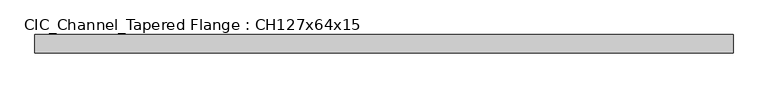
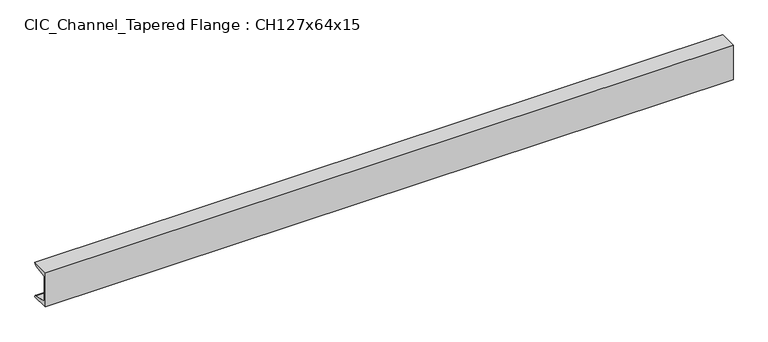
"""IFC4 building model written with IfcOpenShell, lengths in millimetres: beam geometry, CIC_Channel_Tapered Flange : CH127x64x15."""

import ifcopenshell
import ifcopenshell.guid

model = None  # the IFC model being written
_history = None  # IfcOwnerHistory: only IFC2X3 demands one
_inside = {}  # id of a spatial element -> (the spatial element, [elements in it])
_under = {}  # id of a project, library or spatial element -> (it, [spatial elements below it])
_declared = {}  # id of a project -> (the project, [libraries it declares])
_typed = {}  # id of a type object -> (the type object, [elements of that type])
_made_of = {}  # id of a material, layer set ... -> (it, [elements and type objects made of it])


def new_model(schema):
    """Start an empty IFC model of exactly this schema.

    Asked for "IFC4X3", IfcOpenShell would pick the latest addendum, in which some entities
    have other attributes; the version numbers below select the first issue.
    IFC2X3 requires an IfcOwnerHistory on every rooted entity: one is made here for all.
    """
    global model, _history
    if schema == "IFC4X3":
        model = ifcopenshell.file(schema_version=(4, 3, 0, 0))
    else:
        model = ifcopenshell.file(schema=schema)
    _inside.clear()
    _under.clear()
    _declared.clear()
    _typed.clear()
    _made_of.clear()
    _history = None
    if model.schema == "IFC2X3":
        org = make("IfcOrganization", Name="unknown")
        user = make(
            "IfcPersonAndOrganization",
            ThePerson=make("IfcPerson", FamilyName="unknown"),
            TheOrganization=org,
        )
        app = make(
            "IfcApplication",
            ApplicationDeveloper=org,
            Version="unknown",
            ApplicationFullName="unknown",
            ApplicationIdentifier="unknown",
        )
        _history = make(
            "IfcOwnerHistory",
            OwningUser=user,
            OwningApplication=app,
            ChangeAction="ADDED",
            CreationDate=0,
        )
    return model


def make(cls, **values):
    """One entity of the class cls with the attributes given. An attribute that is None is left unset."""
    return model.create_entity(
        cls, **{name: value for name, value in values.items() if value is not None}
    )


def rooted(cls, **values):
    """An entity with a GlobalId (a new one), such as an element, a storey or a relation."""
    return make(cls, GlobalId=ifcopenshell.guid.new(), OwnerHistory=_history, **values)


def si_unit(unit_type, name, prefix=None):
    """IfcSIUnit, for example si_unit("LENGTHUNIT", "METRE", prefix="MILLI")."""
    return make("IfcSIUnit", UnitType=unit_type, Prefix=prefix, Name=name)


def assignment(units):
    """IfcUnitAssignment: the units of a project."""
    return None if units is None else make("IfcUnitAssignment", Units=units)


def point(xyz):
    """IfcCartesianPoint."""
    return None if xyz is None else make("IfcCartesianPoint", Coordinates=xyz)


def direction(xyz):
    """IfcDirection."""
    return None if xyz is None else make("IfcDirection", DirectionRatios=xyz)


def frame(location, z_axis=None, x_axis=None):
    """IfcAxis2Placement3D, a coordinate frame: its origin and axes. An axis left out is left unset."""
    return make(
        "IfcAxis2Placement3D",
        Location=point(location),
        Axis=direction(z_axis),
        RefDirection=direction(x_axis),
    )


def frame_2d(location, x_axis=None):
    """IfcAxis2Placement2D, a coordinate frame in the plane: its origin and x axis."""
    return make(
        "IfcAxis2Placement2D", Location=point(location), RefDirection=direction(x_axis)
    )


def origin():
    """The frame at (0, 0, 0) with its axes left unset."""
    return frame((0.0, 0.0, 0.0))


def place(relative_to, where):
    """IfcLocalPlacement: puts the frame where relative to a parent placement (None: the world)."""
    return make(
        "IfcLocalPlacement", PlacementRelTo=relative_to, RelativePlacement=where
    )


def context(
    kind, dimensions, precision=None, world=None, true_north=None, identifier=None
):
    """IfcGeometricRepresentationContext, for example the 3D "Model" context."""
    return make(
        "IfcGeometricRepresentationContext",
        ContextIdentifier=identifier,
        ContextType=kind,
        CoordinateSpaceDimension=dimensions,
        Precision=precision,
        WorldCoordinateSystem=world,
        TrueNorth=true_north,
    )


def project(units=None, contexts=None):
    """IfcProject with its units and contexts."""
    return rooted(
        "IfcProject",
        Name="project",
        RepresentationContexts=contexts,
        UnitsInContext=assignment(units),
    )


def spatial(cls, under=None, at=None, **own):
    """A site, building, storey or space (cls), placed at a placement, below another one or the project."""
    s = rooted(cls, ObjectPlacement=at, **own)
    if under is not None:
        _under.setdefault(under.id(), (under, []))[1].append(s)
    return s


def polyline(points):
    """IfcPolyline through the points."""
    return make("IfcPolyline", Points=[point(p) for p in points])


def circle_curve(where, radius):
    """IfcCircle in the frame where."""
    return make("IfcCircle", Position=where, Radius=radius)


def trimmed(basis, trim1, trim2, sense, master):
    """IfcTrimmedCurve: the piece of a basis curve between two trims."""
    return make(
        "IfcTrimmedCurve",
        BasisCurve=basis,
        Trim1=trim1,
        Trim2=trim2,
        SenseAgreement=sense,
        MasterRepresentation=master,
    )


def segment(curve, same_sense, transition):
    """IfcCompositeCurveSegment."""
    return make(
        "IfcCompositeCurveSegment",
        Transition=transition,
        SameSense=same_sense,
        ParentCurve=curve,
    )


def composite_curve(segments, self_intersect=None):
    """IfcCompositeCurve: segments joined end to end."""
    return make("IfcCompositeCurve", Segments=segments, SelfIntersect=self_intersect)


def outline(outer, holes=None, kind="AREA"):
    """IfcArbitraryClosedProfileDef: a profile drawn as a closed curve; with holes, ...WithVoids."""
    if holes is None:
        return make("IfcArbitraryClosedProfileDef", ProfileType=kind, OuterCurve=outer)
    return make(
        "IfcArbitraryProfileDefWithVoids",
        ProfileType=kind,
        OuterCurve=outer,
        InnerCurves=holes,
    )


def extrude(swept, where, along, depth):
    """IfcExtrudedAreaSolid: the profile swept, set in the frame where, extruded along a direction by depth."""
    return make(
        "IfcExtrudedAreaSolid",
        SweptArea=swept,
        Position=where,
        ExtrudedDirection=direction(along),
        Depth=depth,
    )


def shape(context_of_items, identifier, shape_type, items):
    """IfcShapeRepresentation: the items that make up one representation, for example the "Body"."""
    return make(
        "IfcShapeRepresentation",
        ContextOfItems=context_of_items,
        RepresentationIdentifier=identifier,
        RepresentationType=shape_type,
        Items=items,
    )


def source(mapping_origin, context_of_items, identifier, shape_type, items):
    """IfcRepresentationMap: a shape defined once, which mapped items show again and again."""
    return make(
        "IfcRepresentationMap",
        MappingOrigin=mapping_origin,
        MappedRepresentation=shape(context_of_items, identifier, shape_type, items),
    )


def transform(
    local_origin,
    x_axis=None,
    y_axis=None,
    z_axis=None,
    scale=None,
    scale2=None,
    scale3=None,
    uniform=True,
):
    """IfcCartesianTransformationOperator3D, or its non-uniform kind. x_axis, y_axis, z_axis: its Axis1, 2, 3."""
    if uniform:
        return make(
            "IfcCartesianTransformationOperator3D",
            Axis1=direction(x_axis),
            Axis2=direction(y_axis),
            LocalOrigin=point(local_origin),
            Scale=scale,
            Axis3=direction(z_axis),
        )
    return make(
        "IfcCartesianTransformationOperator3DnonUniform",
        Axis1=direction(x_axis),
        Axis2=direction(y_axis),
        LocalOrigin=point(local_origin),
        Scale=scale,
        Axis3=direction(z_axis),
        Scale2=scale2,
        Scale3=scale3,
    )


def mapped(mapping_source, mapping_target):
    """IfcMappedItem: shows the shape of a source again, moved by a transform."""
    return make(
        "IfcMappedItem", MappingSource=mapping_source, MappingTarget=mapping_target
    )


def made_of(thing, what):
    """Note that an element or type object is made of a material, layer set ...; save() writes the relation."""
    if what is not None:
        _made_of.setdefault(what.id(), (what, []))[1].append(thing)
    return thing


def element(
    cls,
    number,
    at=None,
    inside=None,
    cuts=None,
    type_object=None,
    material=None,
    context=None,
    identifier="Body",
    shape_type=None,
    held_by="IfcProductDefinitionShape",
    body=None,
    shapes=None,
    **own,
):
    """One element of the class cls, such as IfcWall. Its Tag is "e" and its number.

    at: its placement. inside: the storey or other place that contains it. cuts: it is an
    opening in that element (IfcRelVoidsElement). A single representation is given by context,
    identifier, shape_type and body (its items); several are given by shapes. held_by: the class
    of the entity that holds the representations. save() writes the other relations.
    """
    e = rooted(cls, Tag="e%d" % number, ObjectPlacement=at, **own)
    if body is not None:
        shapes = [shape(context, identifier, shape_type, body)]
    if shapes is not None:
        e.Representation = make(held_by, Representations=shapes)
    if inside is not None:
        _inside.setdefault(inside.id(), (inside, []))[1].append(e)
    if cuts is not None:
        rooted(
            "IfcRelVoidsElement", RelatingBuildingElement=cuts, RelatedOpeningElement=e
        )
    if type_object is not None:
        _typed.setdefault(type_object.id(), (type_object, []))[1].append(e)
    return made_of(e, material)


def aggregate(whole, parts):
    """IfcRelAggregates: a whole, such as a stair, and the parts it consists of."""
    return rooted("IfcRelAggregates", RelatingObject=whole, RelatedObjects=parts)


def save(model, path):
    """Write the relations noted so far, then the file.

    IfcRelAggregates (storeys below a building ...), IfcRelContainedInSpatialStructure (elements
    in a storey), IfcRelDefinesByType, IfcRelAssociatesMaterial and IfcRelDeclares: one each for
    every whole, place, type object, material and project.
    """
    for whole, parts in _under.values():
        aggregate(whole, parts)
    for where, things in _inside.values():
        rooted(
            "IfcRelContainedInSpatialStructure",
            RelatedElements=things,
            RelatingStructure=where,
        )
    for kind, things in _typed.values():
        rooted("IfcRelDefinesByType", RelatedObjects=things, RelatingType=kind)
    for what, things in _made_of.values():
        rooted("IfcRelAssociatesMaterial", RelatedObjects=things, RelatingMaterial=what)
    for by, libraries in _declared.values():
        rooted("IfcRelDeclares", RelatingContext=by, RelatedDefinitions=libraries)
    model.write(path)


def cic_channel_tapered_flange_ch127x64x15_c56eb4cb(model_context):
    return source(origin(), model_context, "Body", "SweptSolid", [
        extrude(outline(composite_curve([segment(polyline([(-19.4, 63.5), (44.1, 63.5)]), True, "CONTINUOUS"), segment(trimmed(circle_curve(frame_2d((34.9, 63.5)), 9.2), [point((44.1, 63.5))], [point((34.9, 54.3))], False, "CARTESIAN"), True, "CONTINUOUS"), segment(polyline([(34.9, 54.3), (-13.0, 46.7133853), (-13.0, -46.7133853), (34.9, -54.3)]), True, "CONTINUOUS"), segment(trimmed(circle_curve(frame_2d((34.9, -63.5)), 9.2), [point((34.9, -54.3))], [point((44.1, -63.5))], False, "CARTESIAN"), True, "CONTINUOUS"), segment(polyline([(44.1, -63.5), (-19.4, -63.5), (-19.4, 63.5)]), True, "CONTINUOUS")], self_intersect=False)), frame((-1199.95, 0.0, 0.0), z_axis=(1.0, 0.0, 0.0), x_axis=(0.0, 1.0, 0.0)), (0.0, 0.0, 1.0), 2399.9),
    ])


if __name__ == "__main__":
    model = new_model("IFC4")
    model_context = context("Model", 3, world=origin())
    ifc_project = project(units=[si_unit("LENGTHUNIT", "METRE", prefix="MILLI")], contexts=[model_context])
    site = spatial("IfcSite", under=ifc_project)
    building = spatial("IfcBuilding", under=site)
    placement = place(None, origin())
    cic_channel_tapered_flange_ch127x64x15_shape = cic_channel_tapered_flange_ch127x64x15_c56eb4cb(model_context)
    element("IfcBeam", 1, ObjectType="CIC_Channel_Tapered Flange : CH127x64x15", at=placement, inside=building, context=model_context, shape_type="MappedRepresentation", body=[
        mapped(cic_channel_tapered_flange_ch127x64x15_shape, transform((0.0, 0.0, 0.0), x_axis=(1.0, 0.0, 0.0), y_axis=(0.0, 1.0, 0.0), z_axis=(0.0, 0.0, 1.0))),
    ])
    save(model, "model.ifc")
